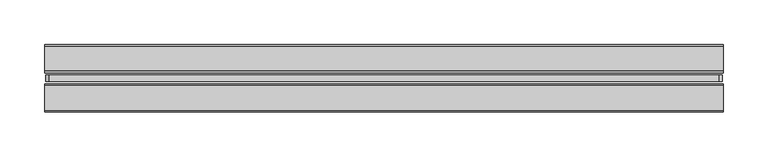
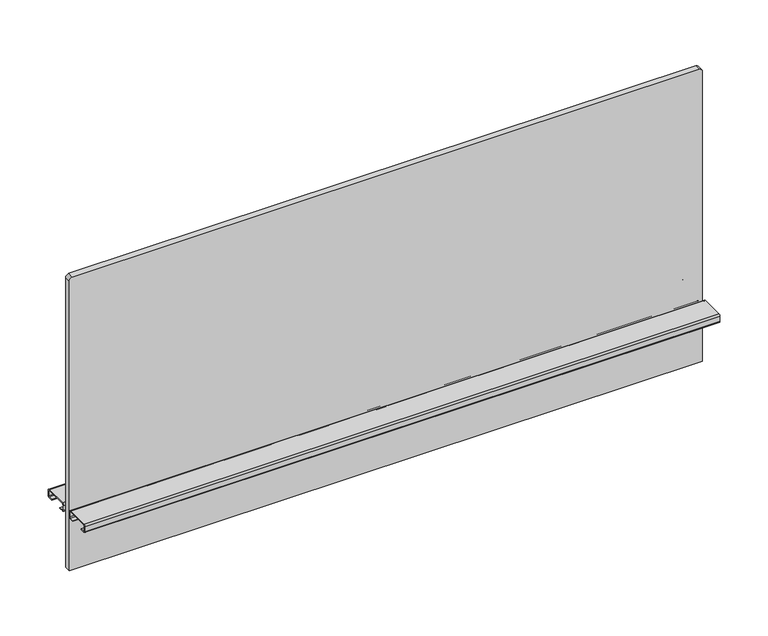
"""IFC4 building model written with IfcOpenShell, lengths in millimetres: furniture geometry."""

from ifc_helpers import new_model, si_unit, point, frame, frame_2d, origin, place, context, project, spatial, polyline, circle_curve, trimmed, segment, composite_curve, outline, extrude, source, transform, mapped, element, save


def furniture_d6596532(model_context):
    return source(origin(), model_context, "Body", "SweptSolid", [
        extrude(outline(composite_curve([segment(polyline([(1061.313613, 375.92), (1061.313613, -375.92)]), True, "CONTINUOUS"), segment(trimmed(circle_curve(frame_2d((1057.503613, -375.92)), 3.81), [point((1061.313613, -375.92))], [point((1057.503613, -379.73))], False, "CARTESIAN"), True, "CONTINUOUS"), segment(polyline([(1057.503613, -379.73), (689.965613, -379.73), (689.965613, 379.73), (1057.503613, 379.73)]), True, "CONTINUOUS"), segment(trimmed(circle_curve(frame_2d((1057.503613, 375.92)), 3.81), [point((1057.503613, 379.73))], [point((1061.313613, 375.92))], False, "CARTESIAN"), True, "CONTINUOUS")], self_intersect=False)), frame((0.0, -3.683001, 0.0), z_axis=(0.0, 1.0, 0.0), x_axis=(0.0, 0.0, 1.0)), (0.0, 0.0, 1.0), 7.3660021),
        extrude(outline(composite_curve([segment(trimmed(circle_curve(frame_2d((-8.1724496, 767.2324064)), 2.032), [point((-8.1724496, 769.2644064))], [point((-6.1404496, 767.2324064))], False, "CARTESIAN"), True, "CONTINUOUS"), segment(polyline([(-6.1404496, 767.2324064), (-6.1404496, 761.1364161)]), True, "CONTINUOUS"), segment(trimmed(circle_curve(frame_2d((-8.1724496, 761.1364161)), 2.032), [point((-6.1404496, 761.1364161))], [point((-8.1724496, 759.1044161))], False, "CARTESIAN"), True, "CONTINUOUS"), segment(polyline([(-8.1724496, 759.1044161), (-13.4619988, 759.1044161), (-13.4619988, 760.0187498), (-8.0708496, 760.0187498)]), True, "CONTINUOUS"), segment(trimmed(circle_curve(frame_2d((-8.0708496, 761.0347498)), 1.016), [point((-8.0708496, 760.0187498))], [point((-7.0548496, 761.0347498))], True, "CARTESIAN"), True, "CONTINUOUS"), segment(polyline([(-7.0548496, 761.0347498), (-7.0548496, 767.334)]), True, "CONTINUOUS"), segment(trimmed(circle_curve(frame_2d((-8.0708496, 767.334)), 1.016), [point((-7.0548496, 767.334))], [point((-8.0708496, 768.35))], True, "CARTESIAN"), True, "CONTINUOUS"), segment(polyline([(-8.0708496, 768.35), (-36.1695996, 768.35)]), True, "CONTINUOUS"), segment(trimmed(circle_curve(frame_2d((-36.1695996, 767.334)), 1.016), [point((-36.1695996, 768.35))], [point((-37.1855996, 767.334))], True, "CARTESIAN"), True, "CONTINUOUS"), segment(polyline([(-37.1855996, 767.334), (-37.1855996, 761.0347498)]), True, "CONTINUOUS"), segment(trimmed(circle_curve(frame_2d((-36.1695996, 761.0347498)), 1.016), [point((-37.1855996, 761.0347498))], [point((-36.1695996, 760.0187498))], True, "CARTESIAN"), True, "CONTINUOUS"), segment(polyline([(-36.1695996, 760.0187498), (-30.7784504, 760.0187498), (-30.7784504, 759.1044161), (-36.0679996, 759.1044161)]), True, "CONTINUOUS"), segment(trimmed(circle_curve(frame_2d((-36.0679996, 761.1364161)), 2.032), [point((-36.0679996, 759.1044161))], [point((-38.0999996, 761.1364161))], False, "CARTESIAN"), True, "CONTINUOUS"), segment(polyline([(-38.0999996, 761.1364161), (-38.0999996, 767.2324064)]), True, "CONTINUOUS"), segment(trimmed(circle_curve(frame_2d((-36.0679996, 767.2324064)), 2.032), [point((-38.0999996, 767.2324064))], [point((-36.0679996, 769.2644064))], False, "CARTESIAN"), True, "CONTINUOUS"), segment(polyline([(-36.0679996, 769.2644064), (-8.1724496, 769.2644064)]), True, "CONTINUOUS")], self_intersect=False)), frame((-381.0, 0.0, 0.0), z_axis=(1.0, 0.0, 0.0), x_axis=(0.0, 1.0, 0.0)), (0.0, 0.0, 1.0), 762.0),
        extrude(outline(composite_curve([segment(polyline([(8.1724496, 769.2644064), (36.0679996, 769.2644064)]), True, "CONTINUOUS"), segment(trimmed(circle_curve(frame_2d((36.0679996, 767.2324064)), 2.032), [point((36.0679996, 769.2644064))], [point((38.0999996, 767.2324064))], False, "CARTESIAN"), True, "CONTINUOUS"), segment(polyline([(38.0999996, 767.2324064), (38.0999996, 761.1364161)]), True, "CONTINUOUS"), segment(trimmed(circle_curve(frame_2d((36.0679996, 761.1364161)), 2.032), [point((38.0999996, 761.1364161))], [point((36.0679996, 759.1044161))], False, "CARTESIAN"), True, "CONTINUOUS"), segment(polyline([(36.0679996, 759.1044161), (30.7784504, 759.1044161), (30.7784504, 760.0187498), (36.1695996, 760.0187498)]), True, "CONTINUOUS"), segment(trimmed(circle_curve(frame_2d((36.1695996, 761.0347498)), 1.016), [point((36.1695996, 760.0187498))], [point((37.1855996, 761.0347498))], True, "CARTESIAN"), True, "CONTINUOUS"), segment(polyline([(37.1855996, 761.0347498), (37.1855996, 767.334)]), True, "CONTINUOUS"), segment(trimmed(circle_curve(frame_2d((36.1695996, 767.334)), 1.016), [point((37.1855996, 767.334))], [point((36.1695996, 768.35))], True, "CARTESIAN"), True, "CONTINUOUS"), segment(polyline([(36.1695996, 768.35), (8.0708496, 768.35)]), True, "CONTINUOUS"), segment(trimmed(circle_curve(frame_2d((8.0708496, 767.334)), 1.016), [point((8.0708496, 768.35))], [point((7.0548496, 767.334))], True, "CARTESIAN"), True, "CONTINUOUS"), segment(polyline([(7.0548496, 767.334), (7.0548496, 761.0347498)]), True, "CONTINUOUS"), segment(trimmed(circle_curve(frame_2d((8.0708496, 761.0347498)), 1.016), [point((7.0548496, 761.0347498))], [point((8.0708496, 760.0187498))], True, "CARTESIAN"), True, "CONTINUOUS"), segment(polyline([(8.0708496, 760.0187498), (13.4619988, 760.0187498), (13.4619988, 759.1044161), (8.1724496, 759.1044161)]), True, "CONTINUOUS"), segment(trimmed(circle_curve(frame_2d((8.1724496, 761.1364161)), 2.032), [point((8.1724496, 759.1044161))], [point((6.1404496, 761.1364161))], False, "CARTESIAN"), True, "CONTINUOUS"), segment(polyline([(6.1404496, 761.1364161), (6.1404496, 767.2324064)]), True, "CONTINUOUS"), segment(trimmed(circle_curve(frame_2d((8.1724496, 767.2324064)), 2.032), [point((6.1404496, 767.2324064))], [point((8.1724496, 769.2644064))], False, "CARTESIAN"), True, "CONTINUOUS")], self_intersect=False)), frame((-381.0, 0.0, 0.0), z_axis=(1.0, 0.0, 0.0), x_axis=(0.0, 1.0, 0.0)), (0.0, 0.0, 1.0), 762.0),
    ])


if __name__ == "__main__":
    model = new_model("IFC4")
    model_context = context("Model", 3, world=origin())
    ifc_project = project(units=[si_unit("LENGTHUNIT", "METRE", prefix="MILLI")], contexts=[model_context])
    site = spatial("IfcSite", under=ifc_project)
    building = spatial("IfcBuilding", under=site)
    placement = place(None, origin())
    furniture_shape = furniture_d6596532(model_context)
    element("IfcFurniture", 1, at=placement, inside=building, context=model_context, shape_type="MappedRepresentation", body=[
        mapped(furniture_shape, transform((0.0, 0.0, 0.0), x_axis=(1.0, 0.0, 0.0), y_axis=(0.0, 1.0, 0.0), z_axis=(0.0, 0.0, 1.0))),
    ])
    save(model, "model.ifc")
